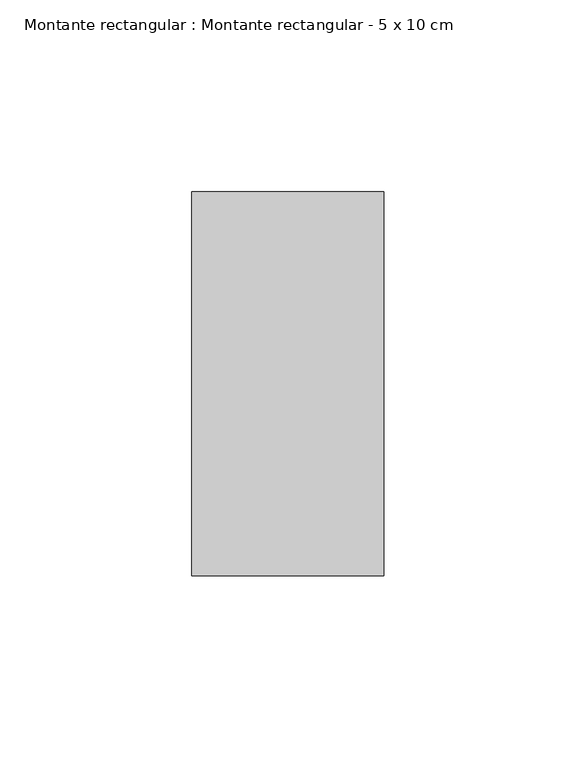
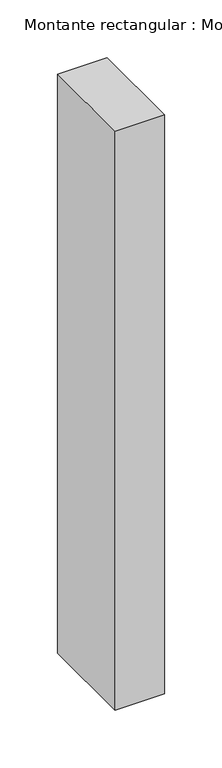
"""IFC4 building model written with IfcOpenShell, lengths in millimetres: member geometry, Montante rectangular : Montante rectangular - 5 x 10 cm."""

from ifc_helpers import new_model, si_unit, frame, origin, place, context, project, spatial, polyline, outline, extrude, source, transform, mapped, element, save


def montante_rectangular_montante_rectangular_5_x_10_cm_44ccfc83(model_context):
    return source(origin(), model_context, "Body", "SweptSolid", [
        extrude(outline(polyline([(-50.0, -50.0), (-50.0, 50.0), (0.0, 50.0), (0.0, -50.0), (-50.0, -50.0)])), frame((0.0, 0.0, -614.4853948), z_axis=(0.0, 0.0, 1.0), x_axis=(1.0, 0.0, 0.0)), (0.0, 0.0, 1.0), 614.4853948),
    ])


if __name__ == "__main__":
    model = new_model("IFC4")
    model_context = context("Model", 3, world=origin())
    ifc_project = project(units=[si_unit("LENGTHUNIT", "METRE", prefix="MILLI")], contexts=[model_context])
    site = spatial("IfcSite", under=ifc_project)
    building = spatial("IfcBuilding", under=site)
    placement = place(None, origin())
    montante_rectangular_montante_rectangular_5_x_10_cm_shape = montante_rectangular_montante_rectangular_5_x_10_cm_44ccfc83(model_context)
    element("IfcMember", 1, ObjectType="Montante rectangular : Montante rectangular - 5 x 10 cm", at=placement, inside=building, context=model_context, shape_type="MappedRepresentation", body=[
        mapped(montante_rectangular_montante_rectangular_5_x_10_cm_shape, transform((0.0, 0.0, 0.0), x_axis=(1.0, 0.0, 0.0), y_axis=(0.0, 1.0, 0.0), z_axis=(0.0, 0.0, 1.0))),
    ])
    save(model, "model.ifc")
